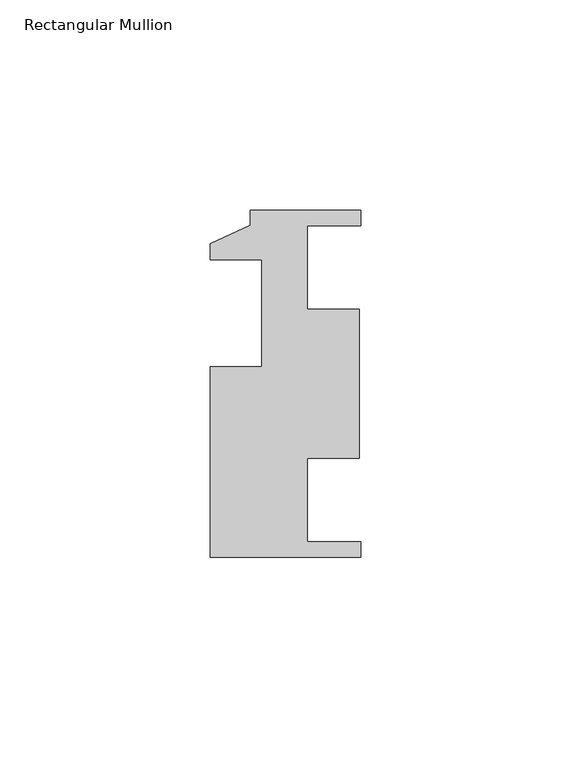
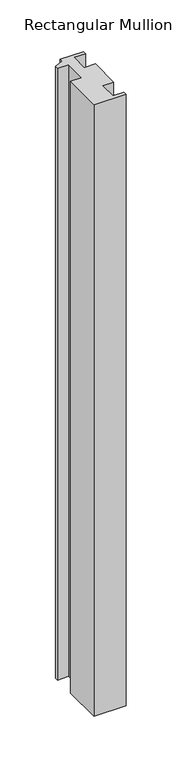
"""IFC4 building model written with IfcOpenShell, lengths in millimetres: member geometry, Rectangular Mullion."""

import ifcopenshell
import ifcopenshell.guid

model = None  # the IFC model being written
_history = None  # IfcOwnerHistory: only IFC2X3 demands one
_inside = {}  # id of a spatial element -> (the spatial element, [elements in it])
_under = {}  # id of a project, library or spatial element -> (it, [spatial elements below it])
_declared = {}  # id of a project -> (the project, [libraries it declares])
_typed = {}  # id of a type object -> (the type object, [elements of that type])
_made_of = {}  # id of a material, layer set ... -> (it, [elements and type objects made of it])


def new_model(schema):
    """Start an empty IFC model of exactly this schema.

    Asked for "IFC4X3", IfcOpenShell would pick the latest addendum, in which some entities
    have other attributes; the version numbers below select the first issue.
    IFC2X3 requires an IfcOwnerHistory on every rooted entity: one is made here for all.
    """
    global model, _history
    if schema == "IFC4X3":
        model = ifcopenshell.file(schema_version=(4, 3, 0, 0))
    else:
        model = ifcopenshell.file(schema=schema)
    _inside.clear()
    _under.clear()
    _declared.clear()
    _typed.clear()
    _made_of.clear()
    _history = None
    if model.schema == "IFC2X3":
        org = make("IfcOrganization", Name="unknown")
        user = make(
            "IfcPersonAndOrganization",
            ThePerson=make("IfcPerson", FamilyName="unknown"),
            TheOrganization=org,
        )
        app = make(
            "IfcApplication",
            ApplicationDeveloper=org,
            Version="unknown",
            ApplicationFullName="unknown",
            ApplicationIdentifier="unknown",
        )
        _history = make(
            "IfcOwnerHistory",
            OwningUser=user,
            OwningApplication=app,
            ChangeAction="ADDED",
            CreationDate=0,
        )
    return model


def make(cls, **values):
    """One entity of the class cls with the attributes given. An attribute that is None is left unset."""
    return model.create_entity(
        cls, **{name: value for name, value in values.items() if value is not None}
    )


def rooted(cls, **values):
    """An entity with a GlobalId (a new one), such as an element, a storey or a relation."""
    return make(cls, GlobalId=ifcopenshell.guid.new(), OwnerHistory=_history, **values)


def si_unit(unit_type, name, prefix=None):
    """IfcSIUnit, for example si_unit("LENGTHUNIT", "METRE", prefix="MILLI")."""
    return make("IfcSIUnit", UnitType=unit_type, Prefix=prefix, Name=name)


def assignment(units):
    """IfcUnitAssignment: the units of a project."""
    return None if units is None else make("IfcUnitAssignment", Units=units)


def point(xyz):
    """IfcCartesianPoint."""
    return None if xyz is None else make("IfcCartesianPoint", Coordinates=xyz)


def direction(xyz):
    """IfcDirection."""
    return None if xyz is None else make("IfcDirection", DirectionRatios=xyz)


def frame(location, z_axis=None, x_axis=None):
    """IfcAxis2Placement3D, a coordinate frame: its origin and axes. An axis left out is left unset."""
    return make(
        "IfcAxis2Placement3D",
        Location=point(location),
        Axis=direction(z_axis),
        RefDirection=direction(x_axis),
    )


def origin():
    """The frame at (0, 0, 0) with its axes left unset."""
    return frame((0.0, 0.0, 0.0))


def place(relative_to, where):
    """IfcLocalPlacement: puts the frame where relative to a parent placement (None: the world)."""
    return make(
        "IfcLocalPlacement", PlacementRelTo=relative_to, RelativePlacement=where
    )


def context(
    kind, dimensions, precision=None, world=None, true_north=None, identifier=None
):
    """IfcGeometricRepresentationContext, for example the 3D "Model" context."""
    return make(
        "IfcGeometricRepresentationContext",
        ContextIdentifier=identifier,
        ContextType=kind,
        CoordinateSpaceDimension=dimensions,
        Precision=precision,
        WorldCoordinateSystem=world,
        TrueNorth=true_north,
    )


def project(units=None, contexts=None):
    """IfcProject with its units and contexts."""
    return rooted(
        "IfcProject",
        Name="project",
        RepresentationContexts=contexts,
        UnitsInContext=assignment(units),
    )


def spatial(cls, under=None, at=None, **own):
    """A site, building, storey or space (cls), placed at a placement, below another one or the project."""
    s = rooted(cls, ObjectPlacement=at, **own)
    if under is not None:
        _under.setdefault(under.id(), (under, []))[1].append(s)
    return s


def polyline(points):
    """IfcPolyline through the points."""
    return make("IfcPolyline", Points=[point(p) for p in points])


def outline(outer, holes=None, kind="AREA"):
    """IfcArbitraryClosedProfileDef: a profile drawn as a closed curve; with holes, ...WithVoids."""
    if holes is None:
        return make("IfcArbitraryClosedProfileDef", ProfileType=kind, OuterCurve=outer)
    return make(
        "IfcArbitraryProfileDefWithVoids",
        ProfileType=kind,
        OuterCurve=outer,
        InnerCurves=holes,
    )


def extrude(swept, where, along, depth):
    """IfcExtrudedAreaSolid: the profile swept, set in the frame where, extruded along a direction by depth."""
    return make(
        "IfcExtrudedAreaSolid",
        SweptArea=swept,
        Position=where,
        ExtrudedDirection=direction(along),
        Depth=depth,
    )


def shape(context_of_items, identifier, shape_type, items):
    """IfcShapeRepresentation: the items that make up one representation, for example the "Body"."""
    return make(
        "IfcShapeRepresentation",
        ContextOfItems=context_of_items,
        RepresentationIdentifier=identifier,
        RepresentationType=shape_type,
        Items=items,
    )


def source(mapping_origin, context_of_items, identifier, shape_type, items):
    """IfcRepresentationMap: a shape defined once, which mapped items show again and again."""
    return make(
        "IfcRepresentationMap",
        MappingOrigin=mapping_origin,
        MappedRepresentation=shape(context_of_items, identifier, shape_type, items),
    )


def transform(
    local_origin,
    x_axis=None,
    y_axis=None,
    z_axis=None,
    scale=None,
    scale2=None,
    scale3=None,
    uniform=True,
):
    """IfcCartesianTransformationOperator3D, or its non-uniform kind. x_axis, y_axis, z_axis: its Axis1, 2, 3."""
    if uniform:
        return make(
            "IfcCartesianTransformationOperator3D",
            Axis1=direction(x_axis),
            Axis2=direction(y_axis),
            LocalOrigin=point(local_origin),
            Scale=scale,
            Axis3=direction(z_axis),
        )
    return make(
        "IfcCartesianTransformationOperator3DnonUniform",
        Axis1=direction(x_axis),
        Axis2=direction(y_axis),
        LocalOrigin=point(local_origin),
        Scale=scale,
        Axis3=direction(z_axis),
        Scale2=scale2,
        Scale3=scale3,
    )


def mapped(mapping_source, mapping_target):
    """IfcMappedItem: shows the shape of a source again, moved by a transform."""
    return make(
        "IfcMappedItem", MappingSource=mapping_source, MappingTarget=mapping_target
    )


def made_of(thing, what):
    """Note that an element or type object is made of a material, layer set ...; save() writes the relation."""
    if what is not None:
        _made_of.setdefault(what.id(), (what, []))[1].append(thing)
    return thing


def element(
    cls,
    number,
    at=None,
    inside=None,
    cuts=None,
    type_object=None,
    material=None,
    context=None,
    identifier="Body",
    shape_type=None,
    held_by="IfcProductDefinitionShape",
    body=None,
    shapes=None,
    **own,
):
    """One element of the class cls, such as IfcWall. Its Tag is "e" and its number.

    at: its placement. inside: the storey or other place that contains it. cuts: it is an
    opening in that element (IfcRelVoidsElement). A single representation is given by context,
    identifier, shape_type and body (its items); several are given by shapes. held_by: the class
    of the entity that holds the representations. save() writes the other relations.
    """
    e = rooted(cls, Tag="e%d" % number, ObjectPlacement=at, **own)
    if body is not None:
        shapes = [shape(context, identifier, shape_type, body)]
    if shapes is not None:
        e.Representation = make(held_by, Representations=shapes)
    if inside is not None:
        _inside.setdefault(inside.id(), (inside, []))[1].append(e)
    if cuts is not None:
        rooted(
            "IfcRelVoidsElement", RelatingBuildingElement=cuts, RelatedOpeningElement=e
        )
    if type_object is not None:
        _typed.setdefault(type_object.id(), (type_object, []))[1].append(e)
    return made_of(e, material)


def aggregate(whole, parts):
    """IfcRelAggregates: a whole, such as a stair, and the parts it consists of."""
    return rooted("IfcRelAggregates", RelatingObject=whole, RelatedObjects=parts)


def save(model, path):
    """Write the relations noted so far, then the file.

    IfcRelAggregates (storeys below a building ...), IfcRelContainedInSpatialStructure (elements
    in a storey), IfcRelDefinesByType, IfcRelAssociatesMaterial and IfcRelDeclares: one each for
    every whole, place, type object, material and project.
    """
    for whole, parts in _under.values():
        aggregate(whole, parts)
    for where, things in _inside.values():
        rooted(
            "IfcRelContainedInSpatialStructure",
            RelatedElements=things,
            RelatingStructure=where,
        )
    for kind, things in _typed.values():
        rooted("IfcRelDefinesByType", RelatedObjects=things, RelatingType=kind)
    for what, things in _made_of.values():
        rooted("IfcRelAssociatesMaterial", RelatedObjects=things, RelatingMaterial=what)
    for by, libraries in _declared.values():
        rooted("IfcRelDeclares", RelatingContext=by, RelatedDefinitions=libraries)
    model.write(path)


def rectangular_mullion_a05ab996(model_context):
    return source(origin(), model_context, "Body", "SweptSolid", [
        extrude(outline(polyline([(0.0, -43.0315666), (-35.7632, -43.0315666), (-35.7632, 2.2820334), (-23.5458, 2.2820334), (-23.5458, 27.6820334), (-35.7632, 27.6820334), (-35.7632, 31.5936334), (-26.2382, 35.9116334), (-26.2382, 39.5184334), (0.0, 39.5184334), (0.0, 35.7846334), (-12.7, 35.7846334), (-12.7, 15.9472334), (-0.3456927, 15.9472334), (-0.3456927, -19.4603666), (-12.7, -19.4603666), (-12.7, -39.2977666), (0.0, -39.2977666), (0.0, -43.0315666)])), frame((0.0, 0.0, -722.5265662), z_axis=(0.0, 0.0, 1.0), x_axis=(1.0, 0.0, 0.0)), (0.0, 0.0, 1.0), 722.5265662),
    ])


if __name__ == "__main__":
    model = new_model("IFC4")
    model_context = context("Model", 3, world=origin())
    ifc_project = project(units=[si_unit("LENGTHUNIT", "METRE", prefix="MILLI")], contexts=[model_context])
    site = spatial("IfcSite", under=ifc_project)
    building = spatial("IfcBuilding", under=site)
    placement = place(None, origin())
    rectangular_mullion_shape = rectangular_mullion_a05ab996(model_context)
    element("IfcMember", 1, ObjectType="Rectangular Mullion", at=placement, inside=building, context=model_context, shape_type="MappedRepresentation", body=[
        mapped(rectangular_mullion_shape, transform((0.0, 0.0, 0.0), x_axis=(1.0, 0.0, 0.0), y_axis=(0.0, 1.0, 0.0), z_axis=(0.0, 0.0, 1.0))),
    ])
    save(model, "model.ifc")
